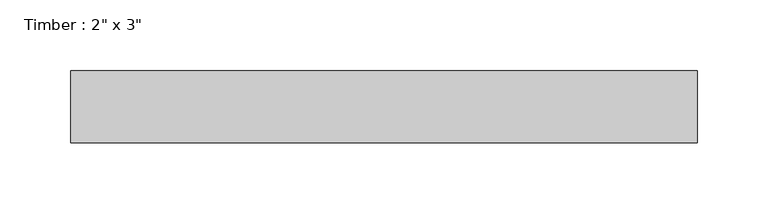
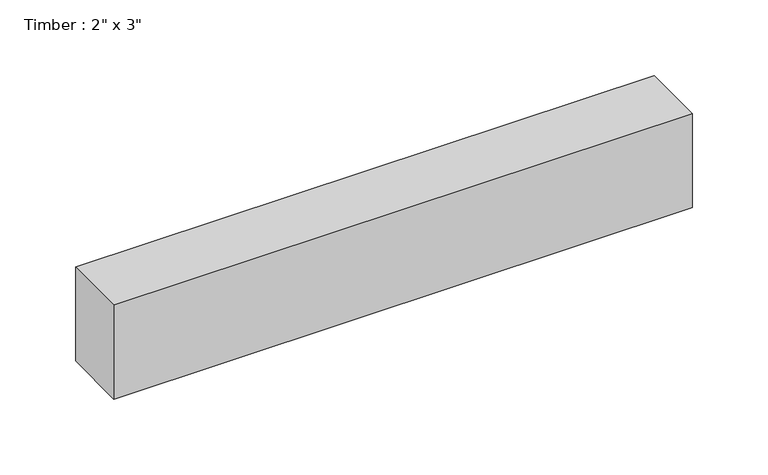
"""IFC4 building model written with IfcOpenShell, lengths in millimetres: beam geometry."""

import ifcopenshell
import ifcopenshell.guid

model = None  # the IFC model being written
_history = None  # IfcOwnerHistory: only IFC2X3 demands one
_inside = {}  # id of a spatial element -> (the spatial element, [elements in it])
_under = {}  # id of a project, library or spatial element -> (it, [spatial elements below it])
_declared = {}  # id of a project -> (the project, [libraries it declares])
_typed = {}  # id of a type object -> (the type object, [elements of that type])
_made_of = {}  # id of a material, layer set ... -> (it, [elements and type objects made of it])


def new_model(schema):
    """Start an empty IFC model of exactly this schema.

    Asked for "IFC4X3", IfcOpenShell would pick the latest addendum, in which some entities
    have other attributes; the version numbers below select the first issue.
    IFC2X3 requires an IfcOwnerHistory on every rooted entity: one is made here for all.
    """
    global model, _history
    if schema == "IFC4X3":
        model = ifcopenshell.file(schema_version=(4, 3, 0, 0))
    else:
        model = ifcopenshell.file(schema=schema)
    _inside.clear()
    _under.clear()
    _declared.clear()
    _typed.clear()
    _made_of.clear()
    _history = None
    if model.schema == "IFC2X3":
        org = make("IfcOrganization", Name="unknown")
        user = make(
            "IfcPersonAndOrganization",
            ThePerson=make("IfcPerson", FamilyName="unknown"),
            TheOrganization=org,
        )
        app = make(
            "IfcApplication",
            ApplicationDeveloper=org,
            Version="unknown",
            ApplicationFullName="unknown",
            ApplicationIdentifier="unknown",
        )
        _history = make(
            "IfcOwnerHistory",
            OwningUser=user,
            OwningApplication=app,
            ChangeAction="ADDED",
            CreationDate=0,
        )
    return model


def make(cls, **values):
    """One entity of the class cls with the attributes given. An attribute that is None is left unset."""
    return model.create_entity(
        cls, **{name: value for name, value in values.items() if value is not None}
    )


def rooted(cls, **values):
    """An entity with a GlobalId (a new one), such as an element, a storey or a relation."""
    return make(cls, GlobalId=ifcopenshell.guid.new(), OwnerHistory=_history, **values)


def si_unit(unit_type, name, prefix=None):
    """IfcSIUnit, for example si_unit("LENGTHUNIT", "METRE", prefix="MILLI")."""
    return make("IfcSIUnit", UnitType=unit_type, Prefix=prefix, Name=name)


def assignment(units):
    """IfcUnitAssignment: the units of a project."""
    return None if units is None else make("IfcUnitAssignment", Units=units)


def point(xyz):
    """IfcCartesianPoint."""
    return None if xyz is None else make("IfcCartesianPoint", Coordinates=xyz)


def direction(xyz):
    """IfcDirection."""
    return None if xyz is None else make("IfcDirection", DirectionRatios=xyz)


def frame(location, z_axis=None, x_axis=None):
    """IfcAxis2Placement3D, a coordinate frame: its origin and axes. An axis left out is left unset."""
    return make(
        "IfcAxis2Placement3D",
        Location=point(location),
        Axis=direction(z_axis),
        RefDirection=direction(x_axis),
    )


def origin():
    """The frame at (0, 0, 0) with its axes left unset."""
    return frame((0.0, 0.0, 0.0))


def place(relative_to, where):
    """IfcLocalPlacement: puts the frame where relative to a parent placement (None: the world)."""
    return make(
        "IfcLocalPlacement", PlacementRelTo=relative_to, RelativePlacement=where
    )


def context(
    kind, dimensions, precision=None, world=None, true_north=None, identifier=None
):
    """IfcGeometricRepresentationContext, for example the 3D "Model" context."""
    return make(
        "IfcGeometricRepresentationContext",
        ContextIdentifier=identifier,
        ContextType=kind,
        CoordinateSpaceDimension=dimensions,
        Precision=precision,
        WorldCoordinateSystem=world,
        TrueNorth=true_north,
    )


def project(units=None, contexts=None):
    """IfcProject with its units and contexts."""
    return rooted(
        "IfcProject",
        Name="project",
        RepresentationContexts=contexts,
        UnitsInContext=assignment(units),
    )


def spatial(cls, under=None, at=None, **own):
    """A site, building, storey or space (cls), placed at a placement, below another one or the project."""
    s = rooted(cls, ObjectPlacement=at, **own)
    if under is not None:
        _under.setdefault(under.id(), (under, []))[1].append(s)
    return s


def polyline(points):
    """IfcPolyline through the points."""
    return make("IfcPolyline", Points=[point(p) for p in points])


def outline(outer, holes=None, kind="AREA"):
    """IfcArbitraryClosedProfileDef: a profile drawn as a closed curve; with holes, ...WithVoids."""
    if holes is None:
        return make("IfcArbitraryClosedProfileDef", ProfileType=kind, OuterCurve=outer)
    return make(
        "IfcArbitraryProfileDefWithVoids",
        ProfileType=kind,
        OuterCurve=outer,
        InnerCurves=holes,
    )


def extrude(swept, where, along, depth):
    """IfcExtrudedAreaSolid: the profile swept, set in the frame where, extruded along a direction by depth."""
    return make(
        "IfcExtrudedAreaSolid",
        SweptArea=swept,
        Position=where,
        ExtrudedDirection=direction(along),
        Depth=depth,
    )


def shape(context_of_items, identifier, shape_type, items):
    """IfcShapeRepresentation: the items that make up one representation, for example the "Body"."""
    return make(
        "IfcShapeRepresentation",
        ContextOfItems=context_of_items,
        RepresentationIdentifier=identifier,
        RepresentationType=shape_type,
        Items=items,
    )


def source(mapping_origin, context_of_items, identifier, shape_type, items):
    """IfcRepresentationMap: a shape defined once, which mapped items show again and again."""
    return make(
        "IfcRepresentationMap",
        MappingOrigin=mapping_origin,
        MappedRepresentation=shape(context_of_items, identifier, shape_type, items),
    )


def transform(
    local_origin,
    x_axis=None,
    y_axis=None,
    z_axis=None,
    scale=None,
    scale2=None,
    scale3=None,
    uniform=True,
):
    """IfcCartesianTransformationOperator3D, or its non-uniform kind. x_axis, y_axis, z_axis: its Axis1, 2, 3."""
    if uniform:
        return make(
            "IfcCartesianTransformationOperator3D",
            Axis1=direction(x_axis),
            Axis2=direction(y_axis),
            LocalOrigin=point(local_origin),
            Scale=scale,
            Axis3=direction(z_axis),
        )
    return make(
        "IfcCartesianTransformationOperator3DnonUniform",
        Axis1=direction(x_axis),
        Axis2=direction(y_axis),
        LocalOrigin=point(local_origin),
        Scale=scale,
        Axis3=direction(z_axis),
        Scale2=scale2,
        Scale3=scale3,
    )


def mapped(mapping_source, mapping_target):
    """IfcMappedItem: shows the shape of a source again, moved by a transform."""
    return make(
        "IfcMappedItem", MappingSource=mapping_source, MappingTarget=mapping_target
    )


def made_of(thing, what):
    """Note that an element or type object is made of a material, layer set ...; save() writes the relation."""
    if what is not None:
        _made_of.setdefault(what.id(), (what, []))[1].append(thing)
    return thing


def element(
    cls,
    number,
    at=None,
    inside=None,
    cuts=None,
    type_object=None,
    material=None,
    context=None,
    identifier="Body",
    shape_type=None,
    held_by="IfcProductDefinitionShape",
    body=None,
    shapes=None,
    **own,
):
    """One element of the class cls, such as IfcWall. Its Tag is "e" and its number.

    at: its placement. inside: the storey or other place that contains it. cuts: it is an
    opening in that element (IfcRelVoidsElement). A single representation is given by context,
    identifier, shape_type and body (its items); several are given by shapes. held_by: the class
    of the entity that holds the representations. save() writes the other relations.
    """
    e = rooted(cls, Tag="e%d" % number, ObjectPlacement=at, **own)
    if body is not None:
        shapes = [shape(context, identifier, shape_type, body)]
    if shapes is not None:
        e.Representation = make(held_by, Representations=shapes)
    if inside is not None:
        _inside.setdefault(inside.id(), (inside, []))[1].append(e)
    if cuts is not None:
        rooted(
            "IfcRelVoidsElement", RelatingBuildingElement=cuts, RelatedOpeningElement=e
        )
    if type_object is not None:
        _typed.setdefault(type_object.id(), (type_object, []))[1].append(e)
    return made_of(e, material)


def aggregate(whole, parts):
    """IfcRelAggregates: a whole, such as a stair, and the parts it consists of."""
    return rooted("IfcRelAggregates", RelatingObject=whole, RelatedObjects=parts)


def save(model, path):
    """Write the relations noted so far, then the file.

    IfcRelAggregates (storeys below a building ...), IfcRelContainedInSpatialStructure (elements
    in a storey), IfcRelDefinesByType, IfcRelAssociatesMaterial and IfcRelDeclares: one each for
    every whole, place, type object, material and project.
    """
    for whole, parts in _under.values():
        aggregate(whole, parts)
    for where, things in _inside.values():
        rooted(
            "IfcRelContainedInSpatialStructure",
            RelatedElements=things,
            RelatingStructure=where,
        )
    for kind, things in _typed.values():
        rooted("IfcRelDefinesByType", RelatedObjects=things, RelatingType=kind)
    for what, things in _made_of.values():
        rooted("IfcRelAssociatesMaterial", RelatedObjects=things, RelatingMaterial=what)
    for by, libraries in _declared.values():
        rooted("IfcRelDeclares", RelatingContext=by, RelatedDefinitions=libraries)
    model.write(path)


def beam_1cdcf08a(model_context):
    return source(origin(), model_context, "Body", "SweptSolid", [
        extrude(outline(polyline([(221.1509448, 25.4), (221.1509448, -25.4), (-221.1509448, -25.4), (-221.1509448, 25.4), (221.1509448, 25.4)])), frame((0.0, 0.0, -38.1), z_axis=(0.0, 0.0, 1.0), x_axis=(1.0, 0.0, 0.0)), (0.0, 0.0, 1.0), 76.2),
    ])


if __name__ == "__main__":
    model = new_model("IFC4")
    model_context = context("Model", 3, world=origin())
    ifc_project = project(units=[si_unit("LENGTHUNIT", "METRE", prefix="MILLI")], contexts=[model_context])
    site = spatial("IfcSite", under=ifc_project)
    building = spatial("IfcBuilding", under=site)
    placement = place(None, origin())
    beam_shape = beam_1cdcf08a(model_context)
    element("IfcBeam", 1, ObjectType="Timber : 2\" x 3\"", at=placement, inside=building, context=model_context, shape_type="MappedRepresentation", body=[
        mapped(beam_shape, transform((0.0, 0.0, 0.0), x_axis=(1.0, 0.0, 0.0), y_axis=(0.0, 1.0, 0.0), z_axis=(0.0, 0.0, 1.0))),
    ])
    save(model, "model.ifc")
